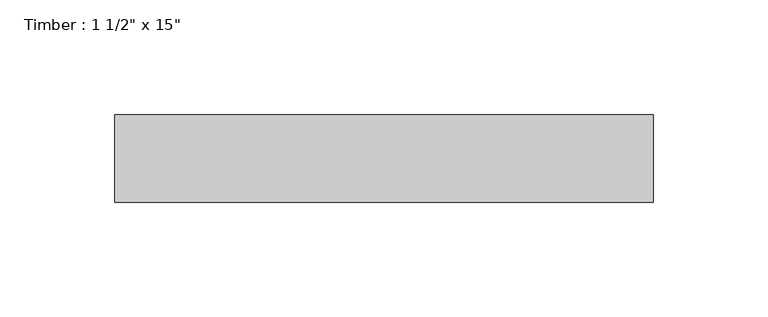
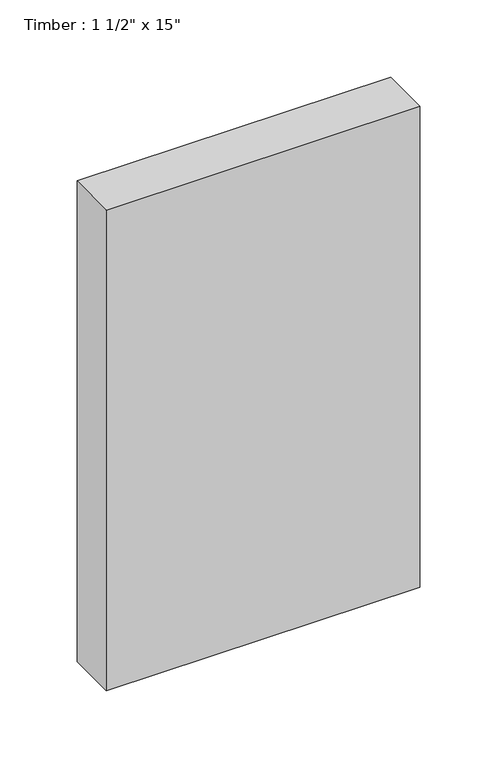
"""IFC4 building model written with IfcOpenShell, lengths in millimetres: beam geometry."""

from ifc_helpers import new_model, si_unit, frame, origin, place, context, project, spatial, polyline, outline, extrude, source, transform, mapped, element, save


def beam_5d13dd13(model_context):
    return source(origin(), model_context, "Body", "SweptSolid", [
        extrude(outline(polyline([(117.475, 19.05), (117.475, -19.05), (-117.475, -19.05), (-117.475, 19.05), (117.475, 19.05)])), frame((0.0, 0.0, -190.5), z_axis=(0.0, 0.0, 1.0), x_axis=(1.0, 0.0, 0.0)), (0.0, 0.0, 1.0), 381.0),
    ])


if __name__ == "__main__":
    model = new_model("IFC4")
    model_context = context("Model", 3, world=origin())
    ifc_project = project(units=[si_unit("LENGTHUNIT", "METRE", prefix="MILLI")], contexts=[model_context])
    site = spatial("IfcSite", under=ifc_project)
    building = spatial("IfcBuilding", under=site)
    placement = place(None, origin())
    beam_shape = beam_5d13dd13(model_context)
    element("IfcBeam", 1, ObjectType="Timber : 1 1/2\" x 15\"", at=placement, inside=building, context=model_context, shape_type="MappedRepresentation", body=[
        mapped(beam_shape, transform((0.0, 0.0, 0.0), x_axis=(1.0, 0.0, 0.0), y_axis=(0.0, 1.0, 0.0), z_axis=(0.0, 0.0, 1.0))),
    ])
    save(model, "model.ifc")
